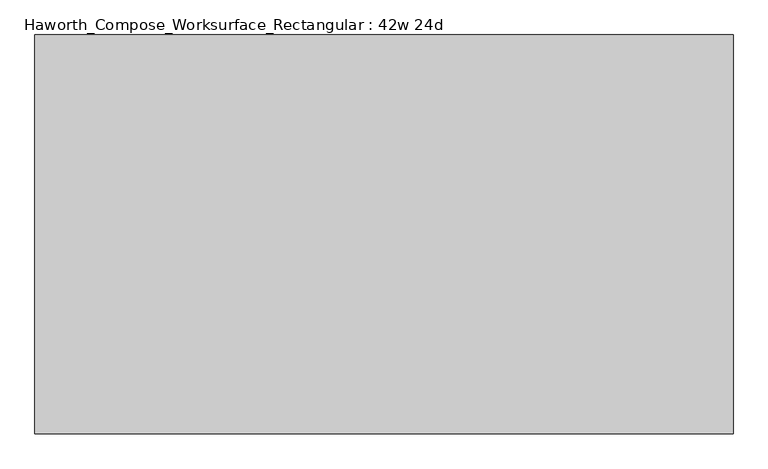
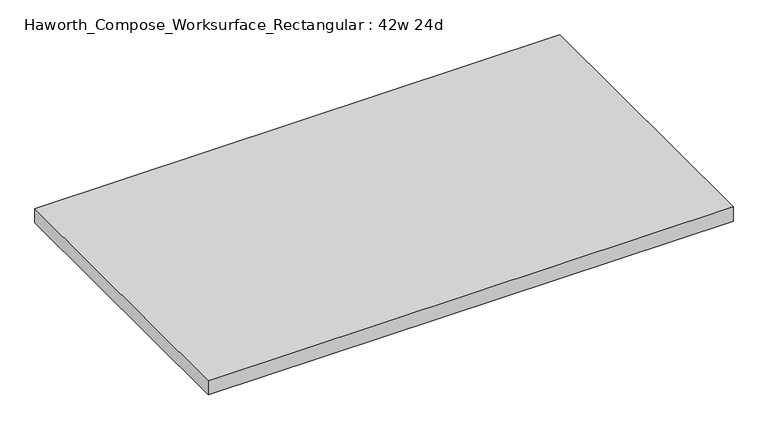
"""IFC4 building model written with IfcOpenShell, lengths in millimetres: furniture geometry, Haworth_Compose_Worksurface_Rectangular : 42w 24d."""

from ifc_helpers import new_model, si_unit, frame, origin, place, context, project, spatial, polyline, outline, extrude, source, transform, mapped, element, save


def haworth_compose_worksurface_rectangular_42w_24d_12b8245c(model_context):
    return source(origin(), model_context, "Body", "SweptSolid", [
        extrude(outline(polyline([(533.4, -304.8), (-533.4, -304.8), (-533.4, 304.8), (533.4, 304.8), (533.4, -304.8)])), frame((0.0, 0.0, 706.4375), z_axis=(0.0, 0.0, 1.0), x_axis=(1.0, 0.0, 0.0)), (0.0, 0.0, 1.0), 30.1625),
    ])


if __name__ == "__main__":
    model = new_model("IFC4")
    model_context = context("Model", 3, world=origin())
    ifc_project = project(units=[si_unit("LENGTHUNIT", "METRE", prefix="MILLI")], contexts=[model_context])
    site = spatial("IfcSite", under=ifc_project)
    building = spatial("IfcBuilding", under=site)
    placement = place(None, origin())
    haworth_compose_worksurface_rectangular_42w_24d_shape = haworth_compose_worksurface_rectangular_42w_24d_12b8245c(model_context)
    element("IfcFurniture", 1, ObjectType="Haworth_Compose_Worksurface_Rectangular : 42w 24d", at=placement, inside=building, context=model_context, shape_type="MappedRepresentation", body=[
        mapped(haworth_compose_worksurface_rectangular_42w_24d_shape, transform((0.0, 0.0, 0.0), x_axis=(1.0, 0.0, 0.0), y_axis=(0.0, 1.0, 0.0), z_axis=(0.0, 0.0, 1.0))),
    ])
    save(model, "model.ifc")
